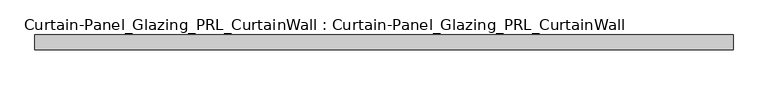
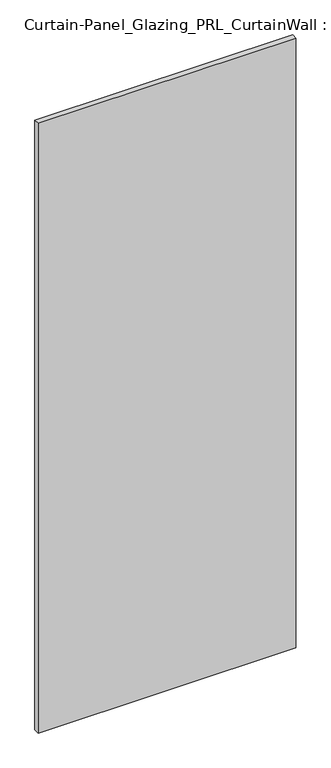
"""IFC4 building model written with IfcOpenShell, lengths in millimetres: plate geometry, Curtain-Panel_Glazing_PRL_CurtainWall : Curtain-Panel_Glazing_PRL_CurtainWall."""

from ifc_helpers import new_model, si_unit, origin, origin_with_axes, place, context, project, spatial, polyline, outline, extrude, source, transform, mapped, element, save


def curtain_panel_glazing_prl_curtainwall_curtain_panel_glazing_77b00f3f(model_context):
    return source(origin(), model_context, "Body", "SweptSolid", [
        extrude(outline(polyline([(607.21875, 12.7), (607.21875, -12.7), (-586.58125, -12.7), (-586.58125, 12.7), (607.21875, 12.7)])), origin_with_axes(), (0.0, 0.0, 1.0), 2986.0875),
    ])


if __name__ == "__main__":
    model = new_model("IFC4")
    model_context = context("Model", 3, world=origin())
    ifc_project = project(units=[si_unit("LENGTHUNIT", "METRE", prefix="MILLI")], contexts=[model_context])
    site = spatial("IfcSite", under=ifc_project)
    building = spatial("IfcBuilding", under=site)
    placement = place(None, origin())
    curtain_panel_glazing_prl_curtainwall_curtain_panel_glazing_shape = curtain_panel_glazing_prl_curtainwall_curtain_panel_glazing_77b00f3f(model_context)
    element("IfcPlate", 1, ObjectType="Curtain-Panel_Glazing_PRL_CurtainWall : Curtain-Panel_Glazing_PRL_CurtainWall", at=placement, inside=building, context=model_context, shape_type="MappedRepresentation", body=[
        mapped(curtain_panel_glazing_prl_curtainwall_curtain_panel_glazing_shape, transform((0.0, 0.0, 0.0), x_axis=(1.0, 0.0, 0.0), y_axis=(0.0, 1.0, 0.0), z_axis=(0.0, 0.0, 1.0))),
    ])
    save(model, "model.ifc")
